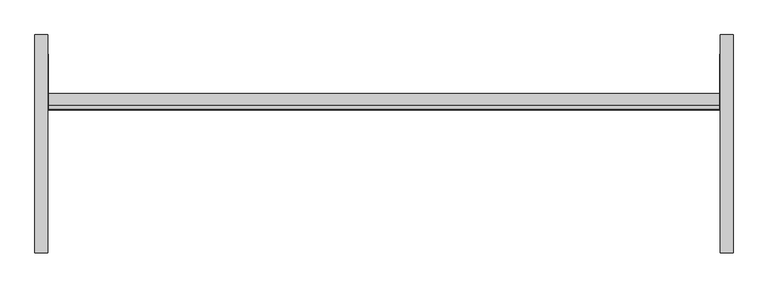
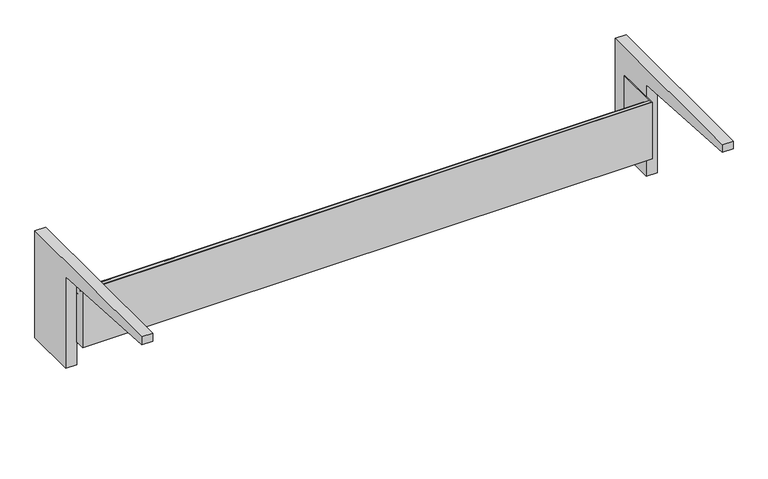
"""IFC4 building model written with IfcOpenShell, lengths in millimetres: furniture geometry."""

from ifc_helpers import new_model, si_unit, point, frame, frame_2d, origin, place, context, project, spatial, polyline, circle_curve, trimmed, segment, composite_curve, outline, extrude, source, transform, mapped, element, save


def furniture_88dc2ca2(model_context):
    return source(origin(), model_context, "Body", "SweptSolid", [
        extrude(outline(composite_curve([segment(polyline([(177.8, 882.65), (177.8, 533.4), (12.7, 533.4), (12.7, 831.85)]), True, "CONTINUOUS"), segment(trimmed(circle_curve(frame_2d((-388.143904, -2317.7524637)), 3175.0073252), [point((12.7, 831.85))], [point((-393.7, 857.25))], True, "CARTESIAN"), True, "CONTINUOUS"), segment(polyline([(-393.7, 857.25), (-393.7, 882.65), (177.8, 882.65)]), True, "CONTINUOUS")], self_intersect=False)), frame((879.475, 0.0, 0.0), z_axis=(1.0, 0.0, 0.0), x_axis=(0.0, 1.0, 0.0)), (0.0, 0.0, 1.0), 33.3375),
        extrude(outline(composite_curve([segment(polyline([(-393.7, 857.25), (-393.7, 882.65), (177.8, 882.65), (177.8, 533.4), (12.7, 533.4), (12.7, 831.85)]), True, "CONTINUOUS"), segment(trimmed(circle_curve(frame_2d((-388.143904, -2317.7524637)), 3175.0073252), [point((12.7, 831.85))], [point((-393.7, 857.25))], True, "CARTESIAN"), True, "CONTINUOUS")], self_intersect=False)), frame((-912.8125, 0.0, 0.0), z_axis=(1.0, 0.0, 0.0), x_axis=(0.0, 1.0, 0.0)), (0.0, 0.0, 1.0), 33.3375),
        extrude(outline(polyline([(-877.8875, -17.4625), (877.8875, -17.4625), (877.8875, 127.0), (879.475, 127.0), (879.475, -19.05), (-879.475, -19.05), (-879.475, 127.0), (-877.8875, 127.0), (-877.8875, -17.4625)])), frame((0.0, 0.0, 608.9396), z_axis=(0.0, 0.0, 1.0), x_axis=(1.0, 0.0, 0.0)), (0.0, 0.0, 1.0), 184.15),
        extrude(outline(polyline([(-7.9057553, 792.29585), (-17.4625, 792.29585), (-17.4625, 770.07085), (24.1300012, 770.07085), (24.1300012, 608.9396), (-19.05, 608.9396), (-19.05, 793.0896), (-7.1120053, 793.0896), (-7.1120053, 786.0791994), (-7.9057553, 786.0791994), (-7.9057553, 792.29585)])), frame((-879.475, 0.0, 0.0), z_axis=(1.0, 0.0, 0.0), x_axis=(0.0, 1.0, 0.0)), (0.0, 0.0, 1.0), 1758.95),
    ])


if __name__ == "__main__":
    model = new_model("IFC4")
    model_context = context("Model", 3, world=origin())
    ifc_project = project(units=[si_unit("LENGTHUNIT", "METRE", prefix="MILLI")], contexts=[model_context])
    site = spatial("IfcSite", under=ifc_project)
    building = spatial("IfcBuilding", under=site)
    placement = place(None, origin())
    furniture_shape = furniture_88dc2ca2(model_context)
    element("IfcFurniture", 1, at=placement, inside=building, context=model_context, shape_type="MappedRepresentation", body=[
        mapped(furniture_shape, transform((0.0, 0.0, 0.0), x_axis=(1.0, 0.0, 0.0), y_axis=(0.0, 1.0, 0.0), z_axis=(0.0, 0.0, 1.0))),
    ])
    save(model, "model.ifc")
